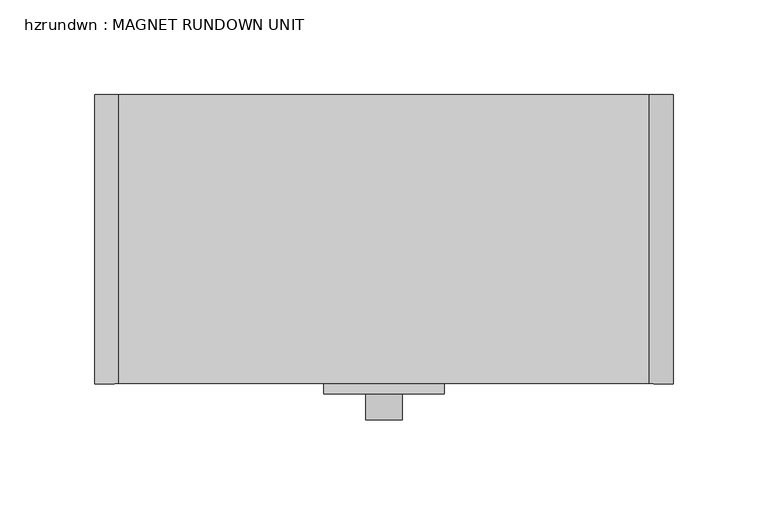
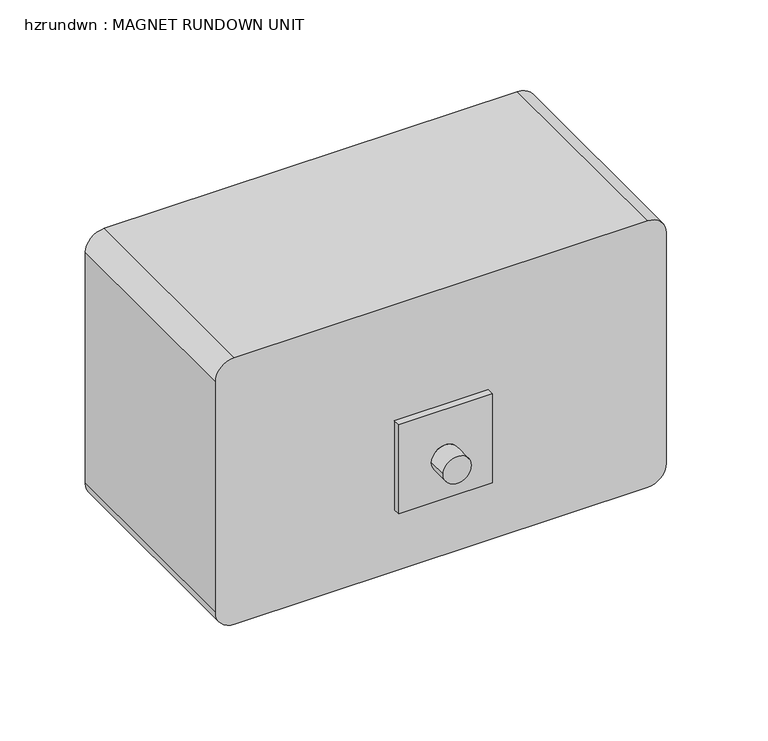
"""IFC4 building model written with IfcOpenShell, lengths in millimetres: proxy geometry, hzrundwn : MAGNET RUNDOWN UNIT."""

from ifc_helpers import new_model, si_unit, frame, origin, place, context, project, spatial, polyline, circle_curve, outline, extrude, source, transform, mapped, element, save
from ifc_brep_helpers import plane_surface, cylinder_surface, revolved_surface, advanced_brep


def hzrundwn_magnet_rundown_unit_645c484c(model_context):
    return source(origin(), model_context, "Body", "SolidModel", [
        extrude(outline(polyline([(139.7, -139.7), (-140.1911554, -139.7), (-140.1911554, -12.7), (139.7, -12.7), (139.7, -139.7)])), frame((0.0, 0.0, 1425.575), z_axis=(0.0, 0.0, 1.0), x_axis=(1.0, 0.0, 0.0)), (0.0, 0.0, 1.0), 3.175),
        advanced_brep(
        [(-152.4, -152.4, 1441.45), (-139.7, -152.4, 1428.75), (139.7, -152.4, 1428.75), (152.4, -152.4, 1441.45), (152.4, -152.4, 1606.55), (139.7, -152.4, 1619.25), (-139.7, -152.4, 1619.25), (-152.4, -152.4, 1606.55), (-152.4, 0.0, 1441.45), (-152.4, 0.0, 1606.55), (-139.7, 0.0, 1619.25), (139.7, 0.0, 1619.25), (152.4, 0.0, 1606.55), (152.4, 0.0, 1441.45), (139.7, 0.0, 1428.75), (-139.7, 0.0, 1428.75), (-22.225, 0.0, 1530.35), (22.225, 0.0, 1530.35), (-31.75, -48.26, 1428.75), (-19.05, -48.26, 1428.75), (-31.75, -81.28, 1428.75), (-19.05, -81.28, 1428.75), (-31.75, -48.26, 1422.4), (-19.05, -48.26, 1422.4), (-31.75, -81.28, 1422.4), (-19.05, -81.28, 1422.4), (-22.225, -27.3390343, 1530.35), (22.225, -27.3390343, 1530.35)],
        [
            (0, 1, circle_curve(frame((-139.7, -152.4, 1441.45), z_axis=(0.0, -1.0, 0.0), x_axis=(1.0, 0.0, 0.0)), 12.7)),
            (1, 2),
            (2, 3, circle_curve(frame((139.7, -152.4, 1441.45), z_axis=(0.0, -1.0, 0.0), x_axis=(1.0, 0.0, 0.0)), 12.7)),
            (3, 4),
            (4, 5, circle_curve(frame((139.7, -152.4, 1606.55), z_axis=(0.0, -1.0, 0.0), x_axis=(1.0, 0.0, 0.0)), 12.7)),
            (5, 6),
            (6, 7, circle_curve(frame((-139.7, -152.4, 1606.55), z_axis=(0.0, -1.0, 0.0), x_axis=(1.0, 0.0, 0.0)), 12.7)),
            (7, 0),
            (8, 9),
            (9, 10, circle_curve(frame((-139.7, 0.0, 1606.55), z_axis=(0.0, 1.0, 0.0), x_axis=(1.0, 0.0, 0.0)), 12.7)),
            (10, 11),
            (11, 12, circle_curve(frame((139.7, 0.0, 1606.55), z_axis=(0.0, 1.0, 0.0), x_axis=(1.0, 0.0, 0.0)), 12.7)),
            (12, 13),
            (13, 14, circle_curve(frame((139.7, 0.0, 1441.45), z_axis=(0.0, 1.0, 0.0), x_axis=(1.0, 0.0, 0.0)), 12.7)),
            (14, 15),
            (15, 8, circle_curve(frame((-139.7, 0.0, 1441.45), z_axis=(0.0, 1.0, 0.0), x_axis=(1.0, 0.0, 0.0)), 12.7)),
            (16, 17, circle_curve(frame((0.0, 0.0, 1530.35), z_axis=(0.0, -1.0, 0.0), x_axis=(1.0, 0.0, 0.0)), 22.225)),
            (17, 16, circle_curve(frame((0.0, 0.0, 1530.35), z_axis=(0.0, -1.0, 0.0), x_axis=(1.0, 0.0, 0.0)), 22.225)),
            (0, 8),
            (15, 1),
            (14, 2),
            (18, 19, circle_curve(frame((-25.4, -48.26, 1428.75), z_axis=(0.0, 0.0, 1.0), x_axis=(1.0, 0.0, 0.0)), 6.35)),
            (19, 18, circle_curve(frame((-25.4, -48.26, 1428.75), z_axis=(0.0, 0.0, 1.0), x_axis=(1.0, 0.0, 0.0)), 6.35)),
            (20, 21, circle_curve(frame((-25.4, -81.28, 1428.75), z_axis=(0.0, 0.0, 1.0), x_axis=(1.0, 0.0, 0.0)), 6.35)),
            (21, 20, circle_curve(frame((-25.4, -81.28, 1428.75), z_axis=(0.0, 0.0, 1.0), x_axis=(1.0, 0.0, 0.0)), 6.35)),
            (13, 3),
            (12, 4),
            (11, 5),
            (10, 6),
            (9, 7),
            (22, 23, circle_curve(frame((-25.4, -48.26, 1422.4), z_axis=(0.0, 0.0, -1.0), x_axis=(1.0, 0.0, 0.0)), 6.35)),
            (23, 22, circle_curve(frame((-25.4, -48.26, 1422.4), z_axis=(0.0, 0.0, -1.0), x_axis=(1.0, 0.0, 0.0)), 6.35)),
            (24, 25, circle_curve(frame((-25.4, -81.28, 1422.4), z_axis=(0.0, 0.0, -1.0), x_axis=(1.0, 0.0, 0.0)), 6.35)),
            (25, 24, circle_curve(frame((-25.4, -81.28, 1422.4), z_axis=(0.0, 0.0, -1.0), x_axis=(1.0, 0.0, 0.0)), 6.35)),
            (23, 19),
            (18, 22),
            (25, 21),
            (20, 24),
            (26, 27, circle_curve(frame((0.0, -27.3390343, 1530.35), z_axis=(0.0, 1.0, 0.0), x_axis=(1.0, 0.0, 0.0)), 22.225)),
            (27, 26, circle_curve(frame((0.0, -27.3390343, 1530.35), z_axis=(0.0, 1.0, 0.0), x_axis=(1.0, 0.0, 0.0)), 22.225)),
            (27, 17),
            (16, 26),
        ],
        [
            plane_surface(frame((-127.0, -152.4, 1441.45), z_axis=(0.0, -1.0, 0.0), x_axis=(0.0, 0.0, 1.0))),
            plane_surface(frame((-127.0, 0.0, 1441.45), z_axis=(0.0, 1.0, 0.0), x_axis=(0.0, 0.0, -1.0))),
            cylinder_surface(frame((-139.7, 0.0, 1441.45), z_axis=(0.0, -1.0, 0.0), x_axis=(1.0, 0.0, 0.0)), 12.7),
            plane_surface(frame((-139.7, -152.4, 1428.75), z_axis=(0.0, 0.0, -1.0), x_axis=(0.0, 1.0, 0.0))),
            cylinder_surface(frame((139.7, 0.0, 1441.45), z_axis=(0.0, -1.0, 0.0), x_axis=(1.0, 0.0, 0.0)), 12.7),
            plane_surface(frame((152.4, -152.4, 1441.45), z_axis=(1.0, 0.0, 0.0), x_axis=(0.0, 1.0, 0.0))),
            cylinder_surface(frame((139.7, 0.0, 1606.55), z_axis=(0.0, -1.0, 0.0), x_axis=(1.0, 0.0, 0.0)), 12.7),
            plane_surface(frame((139.7, -152.4, 1619.25), z_axis=(0.0, 0.0, 1.0), x_axis=(0.0, 1.0, 0.0))),
            cylinder_surface(frame((-139.7, 0.0, 1606.55), z_axis=(0.0, -1.0, 0.0), x_axis=(1.0, 0.0, 0.0)), 12.7),
            plane_surface(frame((-152.4, -152.4, 1606.55), z_axis=(-1.0, 0.0, 0.0), x_axis=(0.0, 1.0, 0.0))),
            plane_surface(frame((-19.05, -48.26, 1422.4), z_axis=(0.0, 0.0, -1.0), x_axis=(0.0, -1.0, 0.0))),
            cylinder_surface(frame((-25.4, -48.26, 1422.4), z_axis=(0.0, 0.0, 1.0), x_axis=(1.0, 0.0, 0.0)), 6.35),
            cylinder_surface(frame((-25.4, -81.28, 1422.4), z_axis=(0.0, 0.0, 1.0), x_axis=(1.0, 0.0, 0.0)), 6.35),
            plane_surface(frame((22.225, -27.3390343, 1530.35), z_axis=(0.0, 1.0, 0.0), x_axis=(0.0, 0.0, 1.0))),
            revolved_surface(polyline([(22.225, -27.3390343, 1530.35), (22.225, 0.0, 1530.35)]), (0.0, 0.0, 1530.35), (0.0, -1.0, 0.0)),
        ],
        [
            (0, [[1, 2, 3, 4, 5, 6, 7, 8]]),
            (1, [[9, 10, 11, 12, 13, 14, 15, 16], [17, 18]]),
            (2, [[-1, 19, -16, 20]]),
            (3, [[-2, -20, -15, 21], [22, 23], [24, 25]]),
            (4, [[-3, -21, -14, 26]]),
            (5, [[-4, -26, -13, 27]]),
            (6, [[-5, -27, -12, 28]]),
            (7, [[-6, -28, -11, 29]]),
            (8, [[-7, -29, -10, 30]]),
            (9, [[-8, -30, -9, -19]]),
            (10, [[31, 32]]),
            (10, [[33, 34]]),
            (11, [[-32, 35, -22, 36]]),
            (11, [[-31, -36, -23, -35]]),
            (12, [[-34, 37, -24, 38]]),
            (12, [[-33, -38, -25, -37]]),
            (13, [[39, 40]]),
            (14, [[-40, 41, -17, 42]]),
            (14, [[-39, -42, -18, -41]]),
        ],
    ),
        advanced_brep(
        [(-31.75, -157.7391529, 1473.2), (0.0, -157.7391529, 1473.2), (31.75, -157.7391529, 1473.2), (31.75, -157.7391529, 1536.7), (-31.75, -157.7391529, 1536.7), (9.525, -157.7391529, 1501.775), (-9.525, -157.7391529, 1501.775), (-31.75, -152.4, 1473.2), (-31.75, -152.4, 1536.7), (31.75, -152.4, 1536.7), (31.75, -152.4, 1473.2), (0.0, -152.4, 1473.2), (-9.525, -171.45, 1501.775), (9.525, -171.45, 1501.775)],
        [
            (0, 1),
            (1, 2),
            (2, 3),
            (3, 4),
            (4, 0),
            (5, 6, circle_curve(frame((0.0, -157.7391529, 1501.775), z_axis=(0.0, 1.0, 0.0), x_axis=(1.0, 0.0, 0.0)), 9.525)),
            (6, 5, circle_curve(frame((0.0, -157.7391529, 1501.775), z_axis=(0.0, 1.0, 0.0), x_axis=(1.0, 0.0, 0.0)), 9.525)),
            (7, 8),
            (8, 9),
            (9, 10),
            (10, 11),
            (11, 7),
            (12, 13, circle_curve(frame((0.0, -171.45, 1501.775), z_axis=(0.0, -1.0, 0.0), x_axis=(1.0, 0.0, 0.0)), 9.525)),
            (13, 12, circle_curve(frame((0.0, -171.45, 1501.775), z_axis=(0.0, -1.0, 0.0), x_axis=(1.0, 0.0, 0.0)), 9.525)),
            (12, 6),
            (5, 13),
            (0, 7),
            (11, 1),
            (10, 2),
            (9, 3),
            (8, 4),
        ],
        [
            plane_surface(frame((12.7, -157.7391529, 1501.775), z_axis=(0.0, -1.0, 0.0), x_axis=(0.0, 0.0, 1.0))),
            plane_surface(frame((12.7, -152.4, 1501.775), z_axis=(0.0, 1.0, 0.0), x_axis=(0.0, 0.0, -1.0))),
            plane_surface(frame((9.525, -171.45, 1501.775), z_axis=(0.0, -1.0, 0.0), x_axis=(0.0, 0.0, 1.0))),
            cylinder_surface(frame((0.0, -152.4, 1501.775), z_axis=(0.0, -1.0, 0.0), x_axis=(1.0, 0.0, 0.0)), 9.525),
            plane_surface(frame((-31.75, -157.7391529, 1473.2), z_axis=(0.0, 0.0, -1.0), x_axis=(0.0, 1.0, 0.0))),
            plane_surface(frame((0.0, -157.7391529, 1473.2), z_axis=(0.0, 0.0, -1.0), x_axis=(0.0, 1.0, 0.0))),
            plane_surface(frame((31.75, -157.7391529, 1473.2), z_axis=(1.0, 0.0, 0.0), x_axis=(0.0, 1.0, 0.0))),
            plane_surface(frame((31.75, -157.7391529, 1536.7), z_axis=(0.0, 0.0, 1.0), x_axis=(0.0, 1.0, 0.0))),
            plane_surface(frame((-31.75, -157.7391529, 1536.7), z_axis=(-1.0, 0.0, 0.0), x_axis=(0.0, 1.0, 0.0))),
        ],
        [
            (0, [[1, 2, 3, 4, 5], [6, 7]]),
            (1, [[8, 9, 10, 11, 12]]),
            (2, [[13, 14]]),
            (3, [[-13, 15, -6, 16]]),
            (3, [[-14, -16, -7, -15]]),
            (4, [[-1, 17, -12, 18]]),
            (5, [[-2, -18, -11, 19]]),
            (6, [[-3, -19, -10, 20]]),
            (7, [[-4, -20, -9, 21]]),
            (8, [[-5, -21, -8, -17]]),
        ],
    ),
    ])


if __name__ == "__main__":
    model = new_model("IFC4")
    model_context = context("Model", 3, world=origin())
    ifc_project = project(units=[si_unit("LENGTHUNIT", "METRE", prefix="MILLI")], contexts=[model_context])
    site = spatial("IfcSite", under=ifc_project)
    building = spatial("IfcBuilding", under=site)
    placement = place(None, origin())
    hzrundwn_magnet_rundown_unit_shape = hzrundwn_magnet_rundown_unit_645c484c(model_context)
    element("IfcBuildingElementProxy", 1, Name="hzrundwn : MAGNET RUNDOWN UNIT", ObjectType="hzrundwn : MAGNET RUNDOWN UNIT", at=placement, inside=building, context=model_context, shape_type="MappedRepresentation", body=[
        mapped(hzrundwn_magnet_rundown_unit_shape, transform((0.0, 0.0, 0.0), x_axis=(1.0, 0.0, 0.0), y_axis=(0.0, 1.0, 0.0), z_axis=(0.0, 0.0, 1.0))),
    ])
    save(model, "model.ifc")
